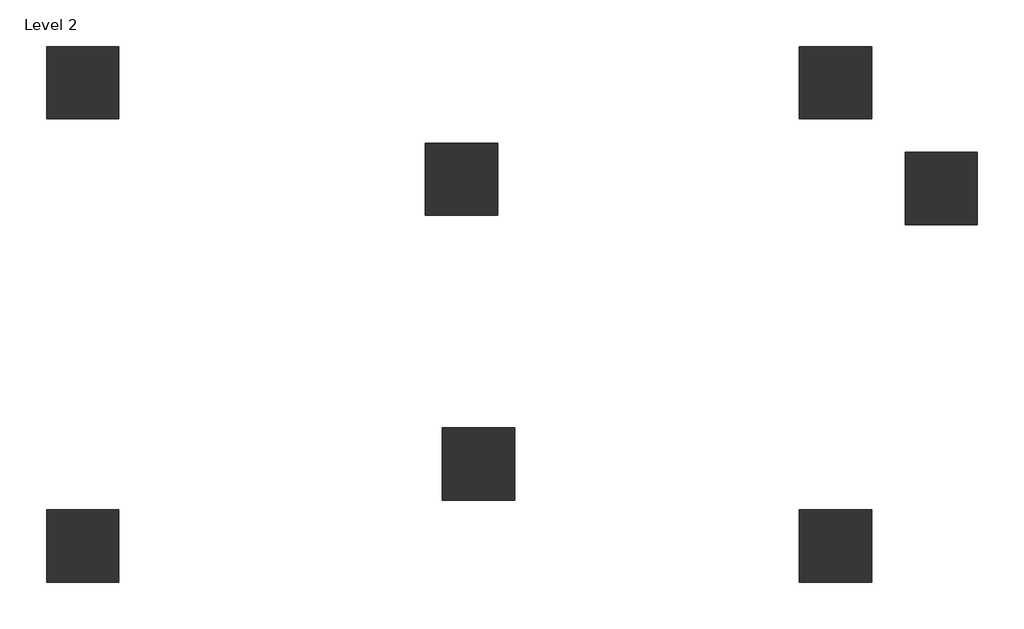
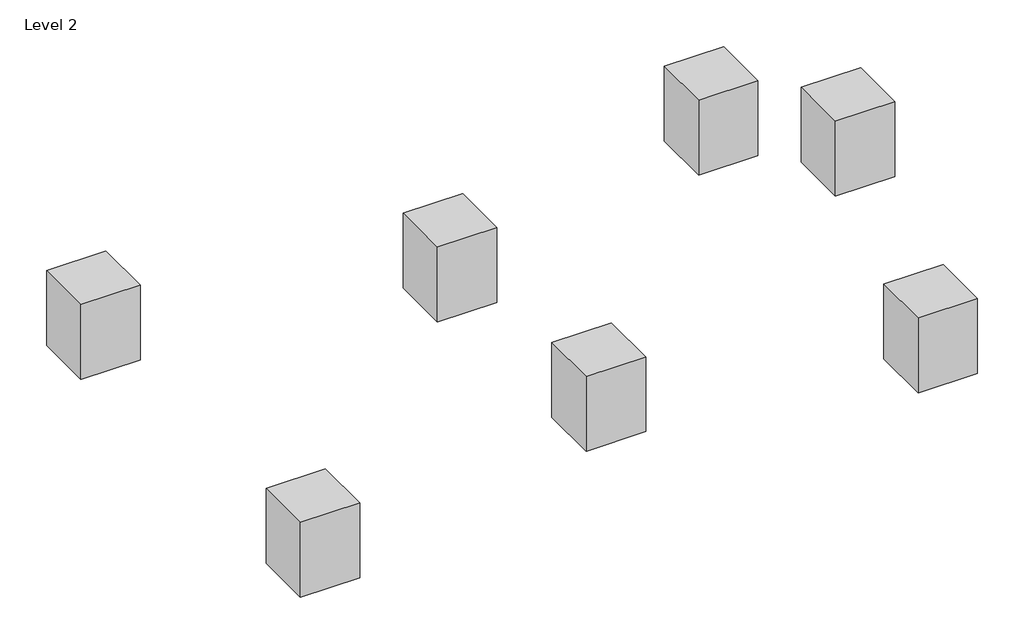
# One storey: 7 columns.
"""IFC4 building model written with IfcOpenShell, lengths in millimetres."""

import ifcopenshell
import ifcopenshell.guid

model = None  # the IFC model being written
_history = None  # IfcOwnerHistory: only IFC2X3 demands one
_inside = {}  # id of a spatial element -> (the spatial element, [elements in it])
_under = {}  # id of a project, library or spatial element -> (it, [spatial elements below it])
_declared = {}  # id of a project -> (the project, [libraries it declares])
_typed = {}  # id of a type object -> (the type object, [elements of that type])
_made_of = {}  # id of a material, layer set ... -> (it, [elements and type objects made of it])


def new_model(schema):
    """Start an empty IFC model of exactly this schema.

    Asked for "IFC4X3", IfcOpenShell would pick the latest addendum, in which some entities
    have other attributes; the version numbers below select the first issue.
    IFC2X3 requires an IfcOwnerHistory on every rooted entity: one is made here for all.
    """
    global model, _history
    if schema == "IFC4X3":
        model = ifcopenshell.file(schema_version=(4, 3, 0, 0))
    else:
        model = ifcopenshell.file(schema=schema)
    _inside.clear()
    _under.clear()
    _declared.clear()
    _typed.clear()
    _made_of.clear()
    _history = None
    if model.schema == "IFC2X3":
        org = make("IfcOrganization", Name="unknown")
        user = make(
            "IfcPersonAndOrganization",
            ThePerson=make("IfcPerson", FamilyName="unknown"),
            TheOrganization=org,
        )
        app = make(
            "IfcApplication",
            ApplicationDeveloper=org,
            Version="unknown",
            ApplicationFullName="unknown",
            ApplicationIdentifier="unknown",
        )
        _history = make(
            "IfcOwnerHistory",
            OwningUser=user,
            OwningApplication=app,
            ChangeAction="ADDED",
            CreationDate=0,
        )
    return model


def make(cls, **values):
    """One entity of the class cls with the attributes given. An attribute that is None is left unset."""
    return model.create_entity(
        cls, **{name: value for name, value in values.items() if value is not None}
    )


def rooted(cls, **values):
    """An entity with a GlobalId (a new one), such as an element, a storey or a relation."""
    return make(cls, GlobalId=ifcopenshell.guid.new(), OwnerHistory=_history, **values)


def si_unit(unit_type, name, prefix=None):
    """IfcSIUnit, for example si_unit("LENGTHUNIT", "METRE", prefix="MILLI")."""
    return make("IfcSIUnit", UnitType=unit_type, Prefix=prefix, Name=name)


def assignment(units):
    """IfcUnitAssignment: the units of a project."""
    return None if units is None else make("IfcUnitAssignment", Units=units)


def point(xyz):
    """IfcCartesianPoint."""
    return None if xyz is None else make("IfcCartesianPoint", Coordinates=xyz)


def direction(xyz):
    """IfcDirection."""
    return None if xyz is None else make("IfcDirection", DirectionRatios=xyz)


def frame(location, z_axis=None, x_axis=None):
    """IfcAxis2Placement3D, a coordinate frame: its origin and axes. An axis left out is left unset."""
    return make(
        "IfcAxis2Placement3D",
        Location=point(location),
        Axis=direction(z_axis),
        RefDirection=direction(x_axis),
    )


def origin():
    """The frame at (0, 0, 0) with its axes left unset."""
    return frame((0.0, 0.0, 0.0))


def place(relative_to, where):
    """IfcLocalPlacement: puts the frame where relative to a parent placement (None: the world)."""
    return make(
        "IfcLocalPlacement", PlacementRelTo=relative_to, RelativePlacement=where
    )


def context(
    kind, dimensions, precision=None, world=None, true_north=None, identifier=None
):
    """IfcGeometricRepresentationContext, for example the 3D "Model" context."""
    return make(
        "IfcGeometricRepresentationContext",
        ContextIdentifier=identifier,
        ContextType=kind,
        CoordinateSpaceDimension=dimensions,
        Precision=precision,
        WorldCoordinateSystem=world,
        TrueNorth=true_north,
    )


def project(units=None, contexts=None):
    """IfcProject with its units and contexts."""
    return rooted(
        "IfcProject",
        Name="project",
        RepresentationContexts=contexts,
        UnitsInContext=assignment(units),
    )


def spatial(cls, under=None, at=None, **own):
    """A site, building, storey or space (cls), placed at a placement, below another one or the project."""
    s = rooted(cls, ObjectPlacement=at, **own)
    if under is not None:
        _under.setdefault(under.id(), (under, []))[1].append(s)
    return s


def polyline(points):
    """IfcPolyline through the points."""
    return make("IfcPolyline", Points=[point(p) for p in points])


def outline(outer, holes=None, kind="AREA"):
    """IfcArbitraryClosedProfileDef: a profile drawn as a closed curve; with holes, ...WithVoids."""
    if holes is None:
        return make("IfcArbitraryClosedProfileDef", ProfileType=kind, OuterCurve=outer)
    return make(
        "IfcArbitraryProfileDefWithVoids",
        ProfileType=kind,
        OuterCurve=outer,
        InnerCurves=holes,
    )


def extrude(swept, where, along, depth):
    """IfcExtrudedAreaSolid: the profile swept, set in the frame where, extruded along a direction by depth."""
    return make(
        "IfcExtrudedAreaSolid",
        SweptArea=swept,
        Position=where,
        ExtrudedDirection=direction(along),
        Depth=depth,
    )


def shape(context_of_items, identifier, shape_type, items):
    """IfcShapeRepresentation: the items that make up one representation, for example the "Body"."""
    return make(
        "IfcShapeRepresentation",
        ContextOfItems=context_of_items,
        RepresentationIdentifier=identifier,
        RepresentationType=shape_type,
        Items=items,
    )


def source(mapping_origin, context_of_items, identifier, shape_type, items):
    """IfcRepresentationMap: a shape defined once, which mapped items show again and again."""
    return make(
        "IfcRepresentationMap",
        MappingOrigin=mapping_origin,
        MappedRepresentation=shape(context_of_items, identifier, shape_type, items),
    )


def transform(
    local_origin,
    x_axis=None,
    y_axis=None,
    z_axis=None,
    scale=None,
    scale2=None,
    scale3=None,
    uniform=True,
):
    """IfcCartesianTransformationOperator3D, or its non-uniform kind. x_axis, y_axis, z_axis: its Axis1, 2, 3."""
    if uniform:
        return make(
            "IfcCartesianTransformationOperator3D",
            Axis1=direction(x_axis),
            Axis2=direction(y_axis),
            LocalOrigin=point(local_origin),
            Scale=scale,
            Axis3=direction(z_axis),
        )
    return make(
        "IfcCartesianTransformationOperator3DnonUniform",
        Axis1=direction(x_axis),
        Axis2=direction(y_axis),
        LocalOrigin=point(local_origin),
        Scale=scale,
        Axis3=direction(z_axis),
        Scale2=scale2,
        Scale3=scale3,
    )


def mapped(mapping_source, mapping_target):
    """IfcMappedItem: shows the shape of a source again, moved by a transform."""
    return make(
        "IfcMappedItem", MappingSource=mapping_source, MappingTarget=mapping_target
    )


def made_of(thing, what):
    """Note that an element or type object is made of a material, layer set ...; save() writes the relation."""
    if what is not None:
        _made_of.setdefault(what.id(), (what, []))[1].append(thing)
    return thing


def element(
    cls,
    number,
    at=None,
    inside=None,
    cuts=None,
    type_object=None,
    material=None,
    context=None,
    identifier="Body",
    shape_type=None,
    held_by="IfcProductDefinitionShape",
    body=None,
    shapes=None,
    **own,
):
    """One element of the class cls, such as IfcWall. Its Tag is "e" and its number.

    at: its placement. inside: the storey or other place that contains it. cuts: it is an
    opening in that element (IfcRelVoidsElement). A single representation is given by context,
    identifier, shape_type and body (its items); several are given by shapes. held_by: the class
    of the entity that holds the representations. save() writes the other relations.
    """
    e = rooted(cls, Tag="e%d" % number, ObjectPlacement=at, **own)
    if body is not None:
        shapes = [shape(context, identifier, shape_type, body)]
    if shapes is not None:
        e.Representation = make(held_by, Representations=shapes)
    if inside is not None:
        _inside.setdefault(inside.id(), (inside, []))[1].append(e)
    if cuts is not None:
        rooted(
            "IfcRelVoidsElement", RelatingBuildingElement=cuts, RelatedOpeningElement=e
        )
    if type_object is not None:
        _typed.setdefault(type_object.id(), (type_object, []))[1].append(e)
    return made_of(e, material)


def aggregate(whole, parts):
    """IfcRelAggregates: a whole, such as a stair, and the parts it consists of."""
    return rooted("IfcRelAggregates", RelatingObject=whole, RelatedObjects=parts)


def save(model, path):
    """Write the relations noted so far, then the file.

    IfcRelAggregates (storeys below a building ...), IfcRelContainedInSpatialStructure (elements
    in a storey), IfcRelDefinesByType, IfcRelAssociatesMaterial and IfcRelDeclares: one each for
    every whole, place, type object, material and project.
    """
    for whole, parts in _under.values():
        aggregate(whole, parts)
    for where, things in _inside.values():
        rooted(
            "IfcRelContainedInSpatialStructure",
            RelatedElements=things,
            RelatingStructure=where,
        )
    for kind, things in _typed.values():
        rooted("IfcRelDefinesByType", RelatedObjects=things, RelatingType=kind)
    for what, things in _made_of.values():
        rooted("IfcRelAssociatesMaterial", RelatedObjects=things, RelatingMaterial=what)
    for by, libraries in _declared.values():
        rooted("IfcRelDeclares", RelatingContext=by, RelatedDefinitions=libraries)
    model.write(path)


def column_300_x_450mm_fcf06f54(model_context):
    return source(origin(), model_context, "Body", "SweptSolid", [
        extrude(outline(polyline([(1500.0, 1500.0), (1500.0, -1500.0), (-1500.0, -1500.0), (-1500.0, 1500.0), (1500.0, 1500.0)])), frame((0.0, 0.0, 4000.0), z_axis=(0.0, 0.0, 1.0), x_axis=(1.0, 0.0, 0.0)), (0.0, 0.0, 1.0), 4000.0),
    ])


model = new_model("IFC4")

# Units and contexts
model_context = context("Model", 3, world=origin())
ifc_project = project(units=[si_unit("LENGTHUNIT", "METRE", prefix="MILLI")], contexts=[model_context])

# Site, building, storey
site = spatial("IfcSite", under=ifc_project)
building = spatial("IfcBuilding", under=site)
storey = spatial("IfcBuildingStorey", under=building, Name="Level 2", Elevation=4000.0)

# Columns
placement = place(None, origin())
column_300_x_450mm_shape = column_300_x_450mm_fcf06f54(model_context)
element("IfcColumn", 1, ObjectType="300 x 450mm", at=placement, inside=storey, context=model_context, shape_type="MappedRepresentation", body=[
    mapped(column_300_x_450mm_shape, transform((-14486.4278611, 5224.7373845, 0.0), x_axis=(1.0, 0.0, 0.0), y_axis=(0.0, 1.0, 0.0), z_axis=(0.0, 0.0, 1.0))),
])
element("IfcColumn", 2, ObjectType="300 x 450mm", at=placement, inside=storey, context=model_context, shape_type="MappedRepresentation", body=[
    mapped(column_300_x_450mm_shape, transform((-14486.4278611, -13975.2626155, 0.0), x_axis=(1.0, 0.0, 0.0), y_axis=(0.0, 1.0, 0.0), z_axis=(0.0, 0.0, 1.0))),
])
element("IfcColumn", 3, ObjectType="300 x 450mm", at=placement, inside=storey, context=model_context, shape_type="MappedRepresentation", body=[
    mapped(column_300_x_450mm_shape, transform((1213.5721389, 1224.7373845, 0.0), x_axis=(1.0, 0.0, 0.0), y_axis=(0.0, 1.0, 0.0), z_axis=(0.0, 0.0, 1.0))),
])
element("IfcColumn", 4, ObjectType="300 x 450mm", at=placement, inside=storey, context=model_context, shape_type="MappedRepresentation", body=[
    mapped(column_300_x_450mm_shape, transform((1913.5721389, -10575.2626155, 0.0), x_axis=(1.0, 0.0, 0.0), y_axis=(0.0, 1.0, 0.0), z_axis=(0.0, 0.0, 1.0))),
])
element("IfcColumn", 5, ObjectType="300 x 450mm", at=placement, inside=storey, context=model_context, shape_type="MappedRepresentation", body=[
    mapped(column_300_x_450mm_shape, transform((16713.5721389, 5224.7373845, 0.0), x_axis=(1.0, 0.0, 0.0), y_axis=(0.0, 1.0, 0.0), z_axis=(0.0, 0.0, 1.0))),
])
element("IfcColumn", 6, ObjectType="300 x 450mm", at=placement, inside=storey, context=model_context, shape_type="MappedRepresentation", body=[
    mapped(column_300_x_450mm_shape, transform((16713.5721389, -13975.2626155, 0.0), x_axis=(1.0, 0.0, 0.0), y_axis=(0.0, 1.0, 0.0), z_axis=(0.0, 0.0, 1.0))),
])
element("IfcColumn", 7, ObjectType="300 x 450mm", at=placement, inside=storey, context=model_context, shape_type="MappedRepresentation", body=[
    mapped(column_300_x_450mm_shape, transform((21097.6341823, 840.6753411, 0.0), x_axis=(1.0, 0.0, 0.0), y_axis=(0.0, 1.0, 0.0), z_axis=(0.0, 0.0, 1.0))),
])

save(model, "model.ifc")
